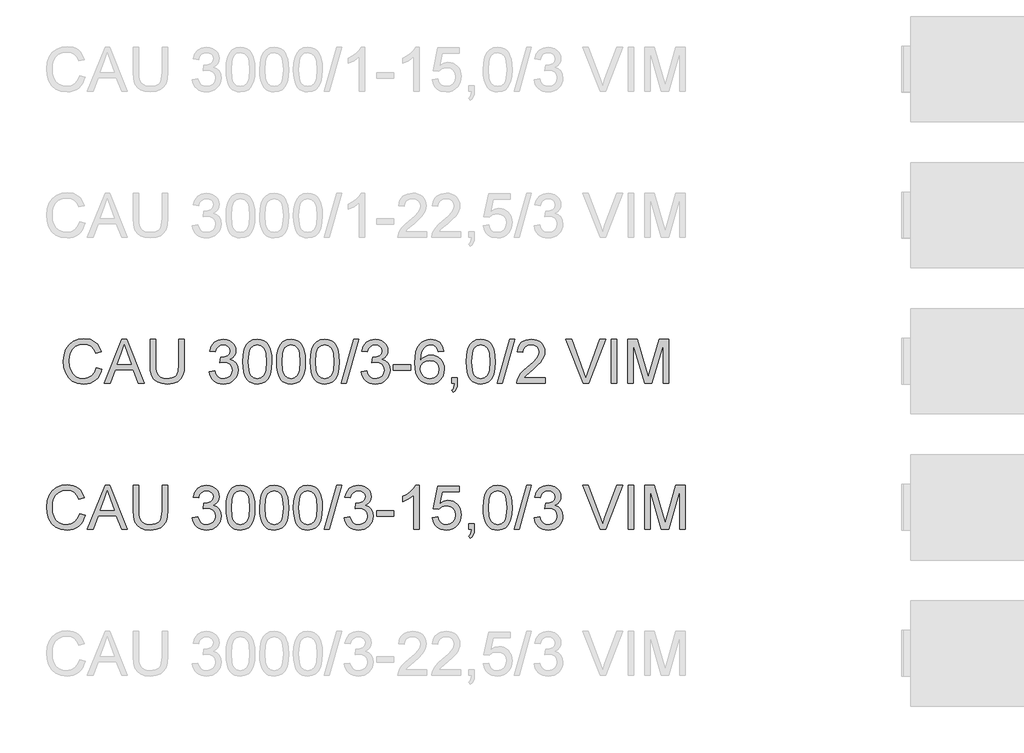
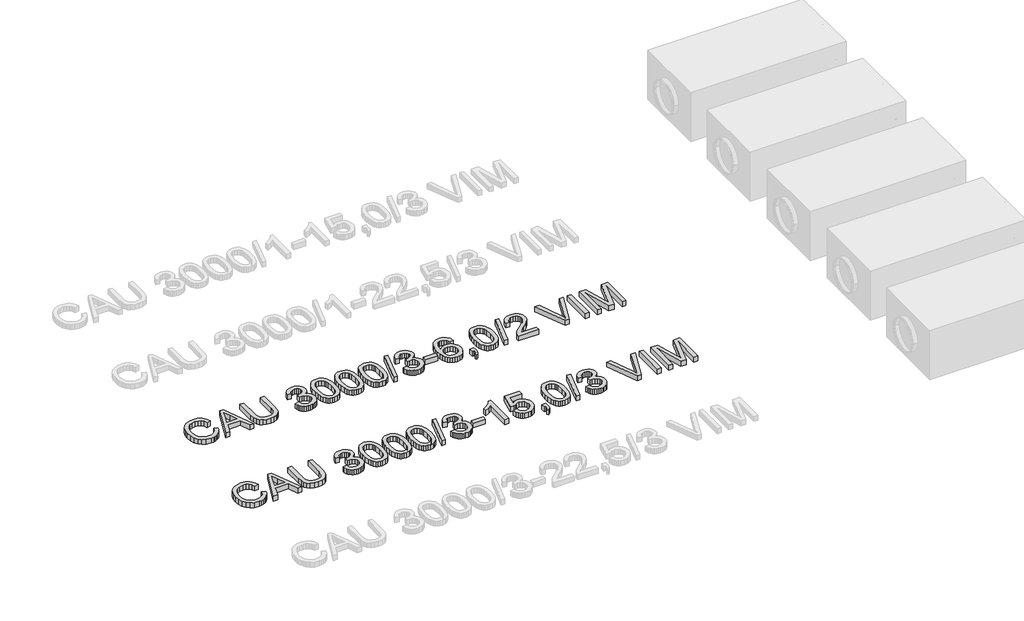
# One storey, part 55 of 74: 2 proxies.
"""IFC4 building model written with IfcOpenShell, lengths in millimetres."""

from ifc_helpers import new_model, si_unit, origin, origin_with_axes, place, context, project, spatial, polyline, outline, extrude, element, save

model = new_model("IFC4")

# Units and contexts
model_context = context("Model", 3, world=origin())
ifc_project = project(units=[si_unit("LENGTHUNIT", "METRE", prefix="MILLI")], contexts=[model_context])

# Site, building, storey
site = spatial("IfcSite", under=ifc_project)
building = spatial("IfcBuilding", under=site)
storey = spatial("IfcBuildingStorey", under=building, Elevation=0.0)

# Proxies
placement = place(None, origin())
element("IfcBuildingElementProxy", 1, Name="Generic Models", at=placement, inside=storey, context=model_context, shape_type="SweptSolid", body=[
    extrude(outline(polyline([(34655.0606318, -14799.1632103), (34692.7317481, -14808.875295), (34685.2775392, -14832.3024803), (34675.3493239, -14852.7728141), (34662.9471021, -14870.2862963), (34648.0708739, -14884.842927), (34631.0563316, -14896.2863563), (34612.2391676, -14904.4602344), (34591.6193818, -14909.3645613), (34569.1969742, -14910.9993369), (34525.5017902, -14906.051324), (34490.801321, -14891.2072855), (34464.2034527, -14866.9822562), (34444.8160716, -14833.8912707), (34432.9794684, -14794.9877497), (34429.033934, -14753.3251137), (34433.4945032, -14709.3816094), (34446.8762108, -14671.4345816), (34468.4800809, -14640.6888439), (34497.6071379, -14618.3492097), (34532.1512572, -14604.7467729), (34570.0063145, -14600.2126274), (34611.3102656, -14606.0803452), (34629.2790018, -14613.4149925), (34645.4589118, -14623.6834986), (34659.5832811, -14636.6145508), (34671.3853954, -14651.9368359), (34688.0228586, -14689.755105), (34650.3517423, -14698.7314257), (34637.2919315, -14671.2598377), (34619.4496547, -14652.4150825), (34596.6041828, -14641.5165784), (34568.5347866, -14637.8837437), (34536.1795651, -14641.9120515), (34509.6000909, -14653.996975), (34489.4309606, -14672.8693214), (34476.3067704, -14697.2598977), (34469.1054803, -14724.8326532), (34466.7050503, -14753.2515373), (34469.5469387, -14788.0531741), (34478.072604, -14818.1459213), (34492.6039428, -14842.3801477), (34513.4628519, -14859.6062222), (34538.4696305, -14869.897721), (34565.4445778, -14873.3282206), (34596.8892913, -14868.6561192), (34623.0916864, -14854.6398152), (34642.8745407, -14831.4264613), (34655.0606318, -14799.1632103)])), origin_with_axes(), (0.0, 0.0, 1.0), 50.0),
    extrude(outline(polyline([(34709.4335907, -14906.2904473), (34829.7310031, -14604.9215169), (34861.8103131, -14604.9215169), (34982.1077255, -14906.2904473), (34942.3028937, -14906.2904473), (34907.7955625, -14812.1126566), (34783.6721773, -14812.1126566), (34749.2384226, -14906.2904473), (34709.4335907, -14906.2904473)]), holes=[polyline([(34797.5045404, -14774.4415403), (34894.0367759, -14774.4415403), (34866.8870847, -14700.3501064), (34845.7706581, -14642.5926332), (34827.0086764, -14693.8753833), (34797.5045404, -14774.4415403)])]), origin_with_axes(), (0.0, 0.0, 1.0), 50.0),
    extrude(outline(polyline([(35220.1273764, -14604.9215169), (35257.7984927, -14604.9215169), (35257.7984927, -14778.7825478), (35255.2417129, -14819.4978876), (35247.5713733, -14850.8506307), (35233.2423696, -14875.0388719), (35210.7095973, -14894.2607061), (35179.9178743, -14906.8146792), (35140.8120183, -14910.9993369), (35102.5614878, -14907.3573051), (35071.981297, -14896.4312099), (35049.0622487, -14878.5981302), (35033.7951459, -14854.235145), (35025.2142983, -14821.5580268), (35022.3540158, -14778.7825478), (35022.3540158, -14604.9215169), (35060.0251321, -14604.9215169), (35060.0251321, -14777.4581726), (35061.8829362, -14811.3125132), (35067.4563484, -14834.8845521), (35077.5547092, -14851.2093156), (35092.9873589, -14863.3218303), (35113.110504, -14870.826623), (35137.2803511, -14873.3282206), (35175.5952609, -14868.3802077), (35189.9380602, -14862.1951917), (35201.0710891, -14853.5361692), (35209.4082148, -14841.3592752), (35215.3633046, -14824.6206444), (35220.1273764, -14777.4581726), (35220.1273764, -14604.9215169)])), origin_with_axes(), (0.0, 0.0, 1.0), 50.0),
    extrude(outline(polyline([(35427.3185161, -14826.2393252), (35464.9896324, -14821.5304357), (35473.4233272, -14845.203642), (35485.7749651, -14861.1881147), (35502.6515517, -14870.2931941), (35524.660092, -14873.3282206), (35550.4854081, -14869.1527599), (35570.4246122, -14856.626378), (35583.1717234, -14837.9379726), (35587.4207604, -14815.2764417), (35583.2085116, -14793.7645421), (35570.571765, -14776.3177384), (35551.4419013, -14764.7570467), (35527.7503008, -14760.9034828), (35501.3363735, -14765.0237612), (35505.5302283, -14727.3526449), (35511.563493, -14727.7941033), (35534.1330534, -14725.0901706), (35554.3113808, -14716.9783726), (35568.5484141, -14703.2563742), (35573.2940918, -14683.7218403), (35569.8543951, -14667.452259), (35559.5353052, -14654.2544924), (35543.7899558, -14645.508098), (35524.0714808, -14642.5926332), (35504.3162177, -14645.5356892), (35488.1661981, -14654.364857), (35476.3755802, -14669.0801369), (35469.6985219, -14689.6815286), (35432.0274056, -14684.972639), (35443.1190478, -14651.1458896), (35462.8559168, -14625.8907906), (35489.8584553, -14610.1638353), (35522.7471057, -14604.9215169), (35546.4295091, -14607.5058879), (35568.1805321, -14615.259001), (35586.5194495, -14627.4910773), (35599.9655364, -14643.5123382), (35608.2152902, -14661.9708173), (35610.9652081, -14681.5145483), (35608.3532459, -14699.724707), (35600.5173594, -14716.2426086), (35587.5679132, -14730.3140949), (35569.6152718, -14741.1850079), (35593.1965077, -14750.7131516), (35610.6709025, -14766.9367476), (35621.4866332, -14788.9728791), (35625.0918767, -14815.9386293), (35623.2892549, -14835.050099), (35617.8813896, -14852.6532524), (35608.8682807, -14868.7480897), (35596.2499283, -14883.3346108), (35580.8770594, -14895.4379285), (35563.6004012, -14904.0831554), (35544.4199537, -14909.2702915), (35523.3357168, -14910.9993369), (35504.2794295, -14909.5232104), (35486.9153993, -14905.0948309), (35471.2436263, -14897.7141983), (35457.2641105, -14887.3813128), (35445.5424704, -14874.7031795), (35436.6443247, -14860.2868038), (35430.5696732, -14844.1321857), (35427.3185161, -14826.2393252)])), origin_with_axes(), (0.0, 0.0, 1.0), 50.0),
    extrude(outline(polyline([(35658.0541035, -14758.0340033), (35660.8224155, -14709.7954767), (35669.1273515, -14671.324217), (35682.8861382, -14642.0316132), (35702.0160019, -14621.3290539), (35726.6548985, -14609.0234011), (35756.9407838, -14604.9215169), (35780.1541377, -14607.3495381), (35800.9394704, -14614.6336016), (35818.3218947, -14626.4885989), (35831.3265232, -14642.6294214), (35841.1489725, -14662.9181134), (35848.984859, -14687.2167192), (35854.1168128, -14718.0728216), (35855.8274641, -14758.0340033), (35853.0867432, -14805.9966184), (35844.8645806, -14844.3759076), (35831.1885675, -14873.6961026), (35812.0862949, -14894.4814353), (35787.3922159, -14906.8698615), (35756.9407838, -14910.9993369), (35736.1922393, -14909.2059122), (35717.7981395, -14903.825638), (35701.7584845, -14894.8585143), (35688.0732743, -14882.3045413), (35674.9398871, -14859.6108207), (35665.5588962, -14831.3344908), (35659.9303017, -14797.4755517), (35658.0541035, -14758.0340033)]), holes=[polyline([(35695.7252198, -14757.9604269), (35700.1398037, -14817.2170193), (35705.6580337, -14837.4850179), (35713.3835556, -14851.5128183), (35733.1020305, -14867.87437), (35756.9407838, -14873.3282206), (35780.7795371, -14867.8559759), (35800.498012, -14851.4392419), (35808.2235339, -14837.3884489), (35813.7417638, -14817.1250488), (35818.1563478, -14757.9604269), (35813.8889166, -14700.0374067), (35808.5546277, -14679.8360867), (35801.0866232, -14665.4748933), (35781.4049365, -14648.3131982), (35756.4993254, -14642.5926332), (35732.9180895, -14647.6326165), (35713.9721667, -14662.7525665), (35705.9891275, -14678.3875513), (35700.2869565, -14699.4671897), (35695.7252198, -14757.9604269)])]), origin_with_axes(), (0.0, 0.0, 1.0), 50.0),
    extrude(outline(polyline([(35888.7896909, -14758.0340033), (35891.5580029, -14709.7954767), (35899.8629389, -14671.324217), (35913.6217255, -14642.0316132), (35932.7515893, -14621.3290539), (35957.3904859, -14609.0234011), (35987.6763712, -14604.9215169), (36010.8897251, -14607.3495381), (36031.6750578, -14614.6336016), (36049.0574821, -14626.4885989), (36062.0621106, -14642.6294214), (36071.8845599, -14662.9181134), (36079.7204464, -14687.2167192), (36084.8524002, -14718.0728216), (36086.5630515, -14758.0340033), (36083.8223306, -14805.9966184), (36075.600168, -14844.3759076), (36061.9241548, -14873.6961026), (36042.8218822, -14894.4814353), (36018.1278033, -14906.8698615), (35987.6763712, -14910.9993369), (35966.9278266, -14909.2059122), (35948.5337269, -14903.825638), (35932.4940719, -14894.8585143), (35918.8088617, -14882.3045413), (35905.6754744, -14859.6108207), (35896.2944836, -14831.3344908), (35890.665889, -14797.4755517), (35888.7896909, -14758.0340033)]), holes=[polyline([(35926.4608072, -14757.9604269), (35930.8753911, -14817.2170193), (35936.393621, -14837.4850179), (35944.1191429, -14851.5128183), (35963.8376179, -14867.87437), (35987.6763712, -14873.3282206), (36011.5151244, -14867.8559759), (36031.2335994, -14851.4392419), (36038.9591213, -14837.3884489), (36044.4773512, -14817.1250488), (36048.8919352, -14757.9604269), (36044.624504, -14700.0374067), (36039.2902151, -14679.8360867), (36031.8222106, -14665.4748933), (36012.1405238, -14648.3131982), (35987.2349128, -14642.5926332), (35963.6536769, -14647.6326165), (35944.7077541, -14662.7525665), (35936.7247148, -14678.3875513), (35931.0225439, -14699.4671897), (35926.4608072, -14757.9604269)])]), origin_with_axes(), (0.0, 0.0, 1.0), 50.0),
    extrude(outline(polyline([(36119.5252782, -14758.0340033), (36122.2935902, -14709.7954767), (36130.5985263, -14671.324217), (36144.3573129, -14642.0316132), (36163.4871767, -14621.3290539), (36188.1260733, -14609.0234011), (36218.4119585, -14604.9215169), (36241.6253124, -14607.3495381), (36262.4106452, -14614.6336016), (36279.7930694, -14626.4885989), (36292.797698, -14642.6294214), (36302.6201472, -14662.9181134), (36310.4560337, -14687.2167192), (36315.5879876, -14718.0728216), (36317.2986388, -14758.0340033), (36314.557918, -14805.9966184), (36306.3357554, -14844.3759076), (36292.6597422, -14873.6961026), (36273.5574696, -14894.4814353), (36248.8633907, -14906.8698615), (36218.4119585, -14910.9993369), (36197.663414, -14909.2059122), (36179.2693142, -14903.825638), (36163.2296593, -14894.8585143), (36149.544449, -14882.3045413), (36136.4110618, -14859.6108207), (36127.0300709, -14831.3344908), (36121.4014764, -14797.4755517), (36119.5252782, -14758.0340033)]), holes=[polyline([(36157.1963945, -14757.9604269), (36161.6109785, -14817.2170193), (36167.1292084, -14837.4850179), (36174.8547303, -14851.5128183), (36194.5732052, -14867.87437), (36218.4119585, -14873.3282206), (36242.2507118, -14867.8559759), (36261.9691868, -14851.4392419), (36269.6947087, -14837.3884489), (36275.2129386, -14817.1250488), (36279.6275225, -14757.9604269), (36275.3600914, -14700.0374067), (36270.0258025, -14679.8360867), (36262.557798, -14665.4748933), (36242.8761112, -14648.3131982), (36217.9705001, -14642.5926332), (36194.3892642, -14647.6326165), (36175.4433415, -14662.7525665), (36167.4603022, -14678.3875513), (36161.7581313, -14699.4671897), (36157.1963945, -14757.9604269)])]), origin_with_axes(), (0.0, 0.0, 1.0), 50.0),
    extrude(outline(polyline([(36331.4253075, -14906.2904473), (36416.1853191, -14604.9215169), (36450.1776155, -14604.9215169), (36365.4176038, -14906.2904473), (36331.4253075, -14906.2904473)])), origin_with_axes(), (0.0, 0.0, 1.0), 50.0),
    extrude(outline(polyline([(36467.9831041, -14826.2393252), (36505.6542204, -14821.5304357), (36514.0879151, -14845.203642), (36526.4395531, -14861.1881147), (36543.3161396, -14870.2931941), (36565.32468, -14873.3282206), (36591.149996, -14869.1527599), (36611.0892002, -14856.626378), (36623.8363113, -14837.9379726), (36628.0853484, -14815.2764417), (36623.8730995, -14793.7645421), (36611.236353, -14776.3177384), (36592.1064892, -14764.7570467), (36568.4148887, -14760.9034828), (36542.0009615, -14765.0237612), (36546.1948162, -14727.3526449), (36552.228081, -14727.7941033), (36574.7976414, -14725.0901706), (36594.9759688, -14716.9783726), (36609.213002, -14703.2563742), (36613.9586797, -14683.7218403), (36610.5189831, -14667.452259), (36600.1998931, -14654.2544924), (36584.4545437, -14645.508098), (36564.7360688, -14642.5926332), (36544.9808057, -14645.5356892), (36528.8307861, -14654.364857), (36517.0401681, -14669.0801369), (36510.3631099, -14689.6815286), (36472.6919936, -14684.972639), (36483.7836358, -14651.1458896), (36503.5205048, -14625.8907906), (36530.5230432, -14610.1638353), (36563.4116936, -14604.9215169), (36587.0940971, -14607.5058879), (36608.84512, -14615.259001), (36627.1840375, -14627.4910773), (36640.6301244, -14643.5123382), (36648.8798781, -14661.9708173), (36651.6297961, -14681.5145483), (36649.0178339, -14699.724707), (36641.1819474, -14716.2426086), (36628.2325012, -14730.3140949), (36610.2798598, -14741.1850079), (36633.8610957, -14750.7131516), (36651.3354905, -14766.9367476), (36662.1512211, -14788.9728791), (36665.7564647, -14815.9386293), (36663.9538429, -14835.050099), (36658.5459776, -14852.6532524), (36649.5328687, -14868.7480897), (36636.9145162, -14883.3346108), (36621.5416474, -14895.4379285), (36604.2649892, -14904.0831554), (36585.0845417, -14909.2702915), (36564.0003048, -14910.9993369), (36544.9440175, -14909.5232104), (36527.5799873, -14905.0948309), (36511.9082143, -14897.7141983), (36497.9286985, -14887.3813128), (36486.2070584, -14874.7031795), (36477.3089126, -14860.2868038), (36471.2342612, -14844.1321857), (36467.9831041, -14826.2393252)])), origin_with_axes(), (0.0, 0.0, 1.0), 50.0),
    extrude(outline(polyline([(36689.3009124, -14816.8215461), (36689.3009124, -14779.1504298), (36807.0231508, -14779.1504298), (36807.0231508, -14816.8215461), (36689.3009124, -14816.8215461)])), origin_with_axes(), (0.0, 0.0, 1.0), 50.0),
    extrude(outline(polyline([(37033.0498487, -14684.972639), (36995.3787323, -14689.6815286), (36989.3086794, -14671.0115173), (36981.1049109, -14658.2644062), (36964.0167923, -14646.5105764), (36943.3602182, -14642.5926332), (36925.8490353, -14644.8735016), (36909.3679219, -14651.7161067), (36895.2136621, -14666.1278838), (36883.6529704, -14685.9659204), (36875.8446751, -14714.0261196), (36872.9476044, -14753.1043845), (36888.0583573, -14735.4736399), (36906.1673485, -14723.0484255), (36926.2629025, -14715.6815886), (36947.3333438, -14713.2259763), (36965.4331379, -14714.9044379), (36982.1349805, -14719.9398227), (36997.4388715, -14728.3321307), (37011.3448109, -14740.0813619), (37022.9009041, -14754.4885406), (37031.1552564, -14770.8546908), (37036.1078677, -14789.1798127), (37037.7587382, -14809.4639062), (37034.6501353, -14836.4388535), (37025.3243268, -14861.4456321), (37010.5538646, -14882.6540292), (36991.1113012, -14898.2338316), (36967.8795532, -14907.8079606), (36941.7415375, -14910.9993369), (36919.2846409, -14908.8840154), (36899.0028467, -14902.538051), (36880.8961547, -14891.9614436), (36864.9645651, -14877.1541933), (36851.9760314, -14857.4909007), (36842.6985073, -14832.3461663), (36837.1319929, -14801.7199902), (36835.276488, -14765.6123724), (36837.3366272, -14725.1315573), (36843.5170447, -14690.5828395), (36853.8177406, -14661.9662188), (36868.2387148, -14639.2816952), (36883.8691011, -14624.2491172), (36901.9918879, -14613.5115615), (36922.6070752, -14607.069028), (36945.714663, -14604.9215169), (36978.7688603, -14610.2374117), (37005.2379698, -14626.1850962), (37023.7792224, -14651.5137716), (37033.0498487, -14684.972639)]), holes=[polyline([(36872.9476044, -14808.875295), (36875.1273052, -14825.5679405), (36881.6664076, -14841.506428), (36891.8199507, -14855.2100323), (36904.8429733, -14865.1980285), (36920.5607316, -14871.2956725), (36938.7984815, -14873.3282206), (36963.6581073, -14869.1159717), (36983.2018383, -14856.4792252), (36995.866176, -14836.6135975), (37000.0876219, -14810.714705), (36995.9213583, -14785.8550792), (36983.4225675, -14766.8999594), (36963.5477427, -14754.8978093), (36937.2533771, -14750.8970926), (36912.4305395, -14754.8978093), (36891.6727979, -14766.8999594), (36877.6289027, -14785.3952267), (36872.9476044, -14808.875295)])]), origin_with_axes(), (0.0, 0.0, 1.0), 50.0),
    extrude(outline(polyline([(37089.5565231, -14906.2904473), (37089.5565231, -14868.619331), (37127.2276394, -14868.619331), (37127.2276394, -14906.2904473), (37125.5353822, -14927.8391352), (37120.4586107, -14944.8076922), (37111.7030192, -14957.8215178), (37098.9743022, -14967.5060113), (37089.5565231, -14953.3793427), (37097.7235034, -14946.5551317), (37103.3888861, -14937.1189585), (37108.3185049, -14906.2904473), (37089.5565231, -14906.2904473)])), origin_with_axes(), (0.0, 0.0, 1.0), 50.0),
    extrude(outline(polyline([(37188.4432034, -14758.0340033), (37191.2115154, -14709.7954767), (37199.5164515, -14671.324217), (37213.2752381, -14642.0316132), (37232.4051018, -14621.3290539), (37257.0439985, -14609.0234011), (37287.3298837, -14604.9215169), (37310.5432376, -14607.3495381), (37331.3285703, -14614.6336016), (37348.7109946, -14626.4885989), (37361.7156231, -14642.6294214), (37371.5380724, -14662.9181134), (37379.3739589, -14687.2167192), (37384.5059127, -14718.0728216), (37386.216564, -14758.0340033), (37383.4758432, -14805.9966184), (37375.2536806, -14844.3759076), (37361.5776674, -14873.6961026), (37342.4753948, -14894.4814353), (37317.7813159, -14906.8698615), (37287.3298837, -14910.9993369), (37266.5813392, -14909.2059122), (37248.1872394, -14903.825638), (37232.1475844, -14894.8585143), (37218.4623742, -14882.3045413), (37205.328987, -14859.6108207), (37195.9479961, -14831.3344908), (37190.3194016, -14797.4755517), (37188.4432034, -14758.0340033)]), holes=[polyline([(37226.1143197, -14757.9604269), (37230.5289037, -14817.2170193), (37236.0471336, -14837.4850179), (37243.7726555, -14851.5128183), (37263.4911304, -14867.87437), (37287.3298837, -14873.3282206), (37311.168637, -14867.8559759), (37330.8871119, -14851.4392419), (37338.6126338, -14837.3884489), (37344.1308638, -14817.1250488), (37348.5454477, -14757.9604269), (37344.2780166, -14700.0374067), (37338.9437276, -14679.8360867), (37331.4757231, -14665.4748933), (37311.7940364, -14648.3131982), (37286.8884253, -14642.5926332), (37263.3071894, -14647.6326165), (37244.3612667, -14662.7525665), (37236.3782274, -14678.3875513), (37230.6760565, -14699.4671897), (37226.1143197, -14757.9604269)])]), origin_with_axes(), (0.0, 0.0, 1.0), 50.0),
    extrude(outline(polyline([(37400.3432326, -14906.2904473), (37485.1032443, -14604.9215169), (37519.0955407, -14604.9215169), (37434.335529, -14906.2904473), (37400.3432326, -14906.2904473)])), origin_with_axes(), (0.0, 0.0, 1.0), 50.0),
    extrude(outline(polyline([(37729.9655003, -14868.619331), (37729.9655003, -14906.2904473), (37532.1921397, -14906.2904473), (37536.2388417, -14880.3179785), (37545.527862, -14860.0200894), (37559.1211018, -14840.3292056), (37578.7843944, -14819.7186168), (37606.2835735, -14796.6616128), (37646.934534, -14760.553995), (37671.3251103, -14733.9009444), (37683.5203984, -14712.2694831), (37687.5854945, -14691.226633), (37683.7503247, -14672.3634837), (37672.2448153, -14656.6825136), (37654.5588884, -14646.1151033), (37632.182466, -14642.5926332), (37608.6840036, -14646.0323299), (37590.4278595, -14656.3514198), (37578.6464387, -14672.7405627), (37574.5721456, -14694.3904181), (37536.9010292, -14689.6815286), (37546.0336998, -14653.242817), (37554.5800584, -14638.7068796), (37565.7797659, -14626.6265546), (37579.3753049, -14617.1306006), (37595.1091579, -14610.3477763), (37632.9918064, -14604.9215169), (37653.1816301, -14606.4298331), (37671.1503663, -14610.9547816), (37686.898015, -14618.4963625), (37700.4245761, -14629.0545758), (37711.2885913, -14641.8476722), (37719.0486021, -14656.0939024), (37723.7046086, -14671.7932666), (37725.2566108, -14688.9457646), (37723.5827477, -14706.9627853), (37718.5611585, -14724.6671063), (37709.6492171, -14742.67493), (37696.3042978, -14761.6024586), (37675.0315214, -14784.1996102), (37642.3360091, -14813.2163026), (37598.99951, -14849.4526791), (37582.0033619, -14868.619331), (37729.9655003, -14868.619331)])), origin_with_axes(), (0.0, 0.0, 1.0), 50.0),
    extrude(outline(polyline([(37988.5129665, -14906.2904473), (37868.5834361, -14604.9215169), (37908.9033028, -14604.9215169), (37989.1751541, -14822.0454704), (38005.4355383, -14870.9737758), (38021.4751933, -14822.0454704), (38101.9677738, -14604.9215169), (38142.2876405, -14604.9215169), (38027.4348816, -14906.2904473), (37988.5129665, -14906.2904473)])), origin_with_axes(), (0.0, 0.0, 1.0), 50.0),
    extrude(outline(polyline([(38182.018896, -14906.2904473), (38182.018896, -14604.9215169), (38219.6900123, -14604.9215169), (38219.6900123, -14906.2904473), (38182.018896, -14906.2904473)])), origin_with_axes(), (0.0, 0.0, 1.0), 50.0),
    extrude(outline(polyline([(38295.0322449, -14906.2904473), (38295.0322449, -14604.9215169), (38359.8530525, -14604.9215169), (38421.5100748, -14817.3365809), (38433.9444863, -14861.7031495), (38447.4089673, -14813.657761), (38508.0359201, -14604.9215169), (38572.8567277, -14604.9215169), (38572.8567277, -14906.2904473), (38535.1856114, -14906.2904473), (38535.1856114, -14642.5926332), (38459.4754968, -14906.2904473), (38408.4134758, -14906.2904473), (38332.7033612, -14642.5926332), (38332.7033612, -14906.2904473), (38295.0322449, -14906.2904473)])), origin_with_axes(), (0.0, 0.0, 1.0), 50.0),
])
element("IfcBuildingElementProxy", 2, Name="Generic Models", at=placement, inside=storey, context=model_context, shape_type="SweptSolid", body=[
    extrude(outline(polyline([(34539.6928381, -15799.1632103), (34577.3639544, -15808.875295), (34569.9097455, -15832.3024803), (34559.9815302, -15852.7728141), (34547.5793084, -15870.2862963), (34532.7030802, -15884.842927), (34515.688538, -15896.2863563), (34496.8713739, -15904.4602344), (34476.2515881, -15909.3645613), (34453.8291805, -15910.9993369), (34410.1339965, -15906.051324), (34375.4335273, -15891.2072855), (34348.835659, -15866.9822562), (34329.4482779, -15833.8912707), (34317.6116747, -15794.9877497), (34313.6661403, -15753.3251137), (34318.1267095, -15709.3816094), (34331.5084171, -15671.4345816), (34353.1122872, -15640.6888439), (34382.2393442, -15618.3492097), (34416.7834636, -15604.7467729), (34454.6385209, -15600.2126274), (34495.9424719, -15606.0803452), (34513.9112081, -15613.4149925), (34530.0911181, -15623.6834986), (34544.2154874, -15636.6145508), (34556.0176017, -15651.9368359), (34572.6550649, -15689.755105), (34534.9839486, -15698.7314257), (34521.9241378, -15671.2598377), (34504.081861, -15652.4150825), (34481.2363891, -15641.5165784), (34453.1669929, -15637.8837437), (34420.8117714, -15641.9120515), (34394.2322973, -15653.996975), (34374.0631669, -15672.8693214), (34360.9389767, -15697.2598977), (34353.7376866, -15724.8326532), (34351.3372566, -15753.2515373), (34354.179145, -15788.0531741), (34362.7048103, -15818.1459213), (34377.2361491, -15842.3801477), (34398.0950582, -15859.6062222), (34423.1018368, -15869.897721), (34450.0767841, -15873.3282206), (34481.5214977, -15868.6561192), (34507.7238928, -15854.6398152), (34527.5067471, -15831.4264613), (34539.6928381, -15799.1632103)])), origin_with_axes(), (0.0, 0.0, 1.0), 50.0),
    extrude(outline(polyline([(34594.065797, -15906.2904473), (34714.3632095, -15604.9215169), (34746.4425194, -15604.9215169), (34866.7399319, -15906.2904473), (34826.9351, -15906.2904473), (34792.4277688, -15812.1126566), (34668.3043837, -15812.1126566), (34633.8706289, -15906.2904473), (34594.065797, -15906.2904473)]), holes=[polyline([(34682.1367467, -15774.4415403), (34778.6689822, -15774.4415403), (34751.519291, -15700.3501064), (34730.4028644, -15642.5926332), (34711.6408827, -15693.8753833), (34682.1367467, -15774.4415403)])]), origin_with_axes(), (0.0, 0.0, 1.0), 50.0),
    extrude(outline(polyline([(35104.7595827, -15604.9215169), (35142.430699, -15604.9215169), (35142.430699, -15778.7825478), (35139.8739192, -15819.4978876), (35132.2035796, -15850.8506307), (35117.8745759, -15875.0388719), (35095.3418037, -15894.2607061), (35064.5500807, -15906.8146792), (35025.4442246, -15910.9993369), (34987.1936941, -15907.3573051), (34956.6135033, -15896.4312099), (34933.694455, -15878.5981302), (34918.4273522, -15854.235145), (34909.8465046, -15821.5580268), (34906.9862221, -15778.7825478), (34906.9862221, -15604.9215169), (34944.6573384, -15604.9215169), (34944.6573384, -15777.4581726), (34946.5151425, -15811.3125132), (34952.0885547, -15834.8845521), (34962.1869155, -15851.2093156), (34977.6195652, -15863.3218303), (34997.7427103, -15870.826623), (35021.9125574, -15873.3282206), (35060.2274672, -15868.3802077), (35074.5702665, -15862.1951917), (35085.7032954, -15853.5361692), (35094.0404211, -15841.3592752), (35099.9955109, -15824.6206444), (35104.7595827, -15777.4581726), (35104.7595827, -15604.9215169)])), origin_with_axes(), (0.0, 0.0, 1.0), 50.0),
    extrude(outline(polyline([(35311.9507224, -15826.2393252), (35349.6218387, -15821.5304357), (35358.0555335, -15845.203642), (35370.4071715, -15861.1881147), (35387.283758, -15870.2931941), (35409.2922983, -15873.3282206), (35435.1176144, -15869.1527599), (35455.0568185, -15856.626378), (35467.8039297, -15837.9379726), (35472.0529667, -15815.2764417), (35467.8407179, -15793.7645421), (35455.2039713, -15776.3177384), (35436.0741076, -15764.7570467), (35412.3825071, -15760.9034828), (35385.9685798, -15765.0237612), (35390.1624346, -15727.3526449), (35396.1956993, -15727.7941033), (35418.7652597, -15725.0901706), (35438.9435872, -15716.9783726), (35453.1806204, -15703.2563742), (35457.9262981, -15683.7218403), (35454.4866014, -15667.452259), (35444.1675115, -15654.2544924), (35428.4221621, -15645.508098), (35408.7036871, -15642.5926332), (35388.948424, -15645.5356892), (35372.7984044, -15654.364857), (35361.0077865, -15669.0801369), (35354.3307283, -15689.6815286), (35316.659612, -15684.972639), (35327.7512541, -15651.1458896), (35347.4881232, -15625.8907906), (35374.4906616, -15610.1638353), (35407.379312, -15604.9215169), (35431.0617154, -15607.5058879), (35452.8127384, -15615.259001), (35471.1516558, -15627.4910773), (35484.5977428, -15643.5123382), (35492.8474965, -15661.9708173), (35495.5974144, -15681.5145483), (35492.9854522, -15699.724707), (35485.1495657, -15716.2426086), (35472.2001195, -15730.3140949), (35454.2474782, -15741.1850079), (35477.828714, -15750.7131516), (35495.3031088, -15766.9367476), (35506.1188395, -15788.9728791), (35509.724083, -15815.9386293), (35507.9214612, -15835.050099), (35502.5135959, -15852.6532524), (35493.500487, -15868.7480897), (35480.8821346, -15883.3346108), (35465.5092657, -15895.4379285), (35448.2326075, -15904.0831554), (35429.05216, -15909.2702915), (35407.9679232, -15910.9993369), (35388.9116358, -15909.5232104), (35371.5476056, -15905.0948309), (35355.8758326, -15897.7141983), (35341.8963168, -15887.3813128), (35330.1746768, -15874.7031795), (35321.276531, -15860.2868038), (35315.2018796, -15844.1321857), (35311.9507224, -15826.2393252)])), origin_with_axes(), (0.0, 0.0, 1.0), 50.0),
    extrude(outline(polyline([(35542.6863098, -15758.0340033), (35545.4546218, -15709.7954767), (35553.7595578, -15671.324217), (35567.5183445, -15642.0316132), (35586.6482082, -15621.3290539), (35611.2871048, -15609.0234011), (35641.5729901, -15604.9215169), (35664.786344, -15607.3495381), (35685.5716767, -15614.6336016), (35702.954101, -15626.4885989), (35715.9587295, -15642.6294214), (35725.7811788, -15662.9181134), (35733.6170653, -15687.2167192), (35738.7490191, -15718.0728216), (35740.4596704, -15758.0340033), (35737.7189495, -15805.9966184), (35729.4967869, -15844.3759076), (35715.8207738, -15873.6961026), (35696.7185012, -15894.4814353), (35672.0244222, -15906.8698615), (35641.5729901, -15910.9993369), (35620.8244456, -15909.2059122), (35602.4303458, -15903.825638), (35586.3906908, -15894.8585143), (35572.7054806, -15882.3045413), (35559.5720934, -15859.6108207), (35550.1911025, -15831.3344908), (35544.562508, -15797.4755517), (35542.6863098, -15758.0340033)]), holes=[polyline([(35580.3574261, -15757.9604269), (35584.77201, -15817.2170193), (35590.29024, -15837.4850179), (35598.0157619, -15851.5128183), (35617.7342368, -15867.87437), (35641.5729901, -15873.3282206), (35665.4117434, -15867.8559759), (35685.1302183, -15851.4392419), (35692.8557402, -15837.3884489), (35698.3739702, -15817.1250488), (35702.7885541, -15757.9604269), (35698.5211229, -15700.0374067), (35693.186834, -15679.8360867), (35685.7188295, -15665.4748933), (35666.0371428, -15648.3131982), (35641.1315317, -15642.5926332), (35617.5502958, -15647.6326165), (35598.6043731, -15662.7525665), (35590.6213338, -15678.3875513), (35584.9191628, -15699.4671897), (35580.3574261, -15757.9604269)])]), origin_with_axes(), (0.0, 0.0, 1.0), 50.0),
    extrude(outline(polyline([(35773.4218972, -15758.0340033), (35776.1902092, -15709.7954767), (35784.4951452, -15671.324217), (35798.2539318, -15642.0316132), (35817.3837956, -15621.3290539), (35842.0226922, -15609.0234011), (35872.3085775, -15604.9215169), (35895.5219314, -15607.3495381), (35916.3072641, -15614.6336016), (35933.6896884, -15626.4885989), (35946.6943169, -15642.6294214), (35956.5167662, -15662.9181134), (35964.3526527, -15687.2167192), (35969.4846065, -15718.0728216), (35971.1952578, -15758.0340033), (35968.4545369, -15805.9966184), (35960.2323743, -15844.3759076), (35946.5563611, -15873.6961026), (35927.4540885, -15894.4814353), (35902.7600096, -15906.8698615), (35872.3085775, -15910.9993369), (35851.5600329, -15909.2059122), (35833.1659332, -15903.825638), (35817.1262782, -15894.8585143), (35803.441068, -15882.3045413), (35790.3076807, -15859.6108207), (35780.9266899, -15831.3344908), (35775.2980953, -15797.4755517), (35773.4218972, -15758.0340033)]), holes=[polyline([(35811.0930135, -15757.9604269), (35815.5075974, -15817.2170193), (35821.0258273, -15837.4850179), (35828.7513492, -15851.5128183), (35848.4698242, -15867.87437), (35872.3085775, -15873.3282206), (35896.1473308, -15867.8559759), (35915.8658057, -15851.4392419), (35923.5913276, -15837.3884489), (35929.1095575, -15817.1250488), (35933.5241415, -15757.9604269), (35929.2567103, -15700.0374067), (35923.9224214, -15679.8360867), (35916.4544169, -15665.4748933), (35896.7727302, -15648.3131982), (35871.8671191, -15642.5926332), (35848.2858832, -15647.6326165), (35829.3399604, -15662.7525665), (35821.3569211, -15678.3875513), (35815.6547502, -15699.4671897), (35811.0930135, -15757.9604269)])]), origin_with_axes(), (0.0, 0.0, 1.0), 50.0),
    extrude(outline(polyline([(36004.1574845, -15758.0340033), (36006.9257966, -15709.7954767), (36015.2307326, -15671.324217), (36028.9895192, -15642.0316132), (36048.119383, -15621.3290539), (36072.7582796, -15609.0234011), (36103.0441648, -15604.9215169), (36126.2575187, -15607.3495381), (36147.0428515, -15614.6336016), (36164.4252757, -15626.4885989), (36177.4299043, -15642.6294214), (36187.2523535, -15662.9181134), (36195.08824, -15687.2167192), (36200.2201939, -15718.0728216), (36201.9308451, -15758.0340033), (36199.1901243, -15805.9966184), (36190.9679617, -15844.3759076), (36177.2919485, -15873.6961026), (36158.1896759, -15894.4814353), (36133.495597, -15906.8698615), (36103.0441648, -15910.9993369), (36082.2956203, -15909.2059122), (36063.9015206, -15903.825638), (36047.8618656, -15894.8585143), (36034.1766553, -15882.3045413), (36021.0432681, -15859.6108207), (36011.6622772, -15831.3344908), (36006.0336827, -15797.4755517), (36004.1574845, -15758.0340033)]), holes=[polyline([(36041.8286008, -15757.9604269), (36046.2431848, -15817.2170193), (36051.7614147, -15837.4850179), (36059.4869366, -15851.5128183), (36079.2054116, -15867.87437), (36103.0441648, -15873.3282206), (36126.8829181, -15867.8559759), (36146.6013931, -15851.4392419), (36154.326915, -15837.3884489), (36159.8451449, -15817.1250488), (36164.2597288, -15757.9604269), (36159.9922977, -15700.0374067), (36154.6580088, -15679.8360867), (36147.1900043, -15665.4748933), (36127.5083175, -15648.3131982), (36102.6027065, -15642.5926332), (36079.0214706, -15647.6326165), (36060.0755478, -15662.7525665), (36052.0925085, -15678.3875513), (36046.3903376, -15699.4671897), (36041.8286008, -15757.9604269)])]), origin_with_axes(), (0.0, 0.0, 1.0), 50.0),
    extrude(outline(polyline([(36216.0575138, -15906.2904473), (36300.8175255, -15604.9215169), (36334.8098218, -15604.9215169), (36250.0498101, -15906.2904473), (36216.0575138, -15906.2904473)])), origin_with_axes(), (0.0, 0.0, 1.0), 50.0),
    extrude(outline(polyline([(36352.6153104, -15826.2393252), (36390.2864267, -15821.5304357), (36398.7201214, -15845.203642), (36411.0717594, -15861.1881147), (36427.9483459, -15870.2931941), (36449.9568863, -15873.3282206), (36475.7822024, -15869.1527599), (36495.7214065, -15856.626378), (36508.4685176, -15837.9379726), (36512.7175547, -15815.2764417), (36508.5053058, -15793.7645421), (36495.8685593, -15776.3177384), (36476.7386955, -15764.7570467), (36453.0470951, -15760.9034828), (36426.6331678, -15765.0237612), (36430.8270225, -15727.3526449), (36436.8602873, -15727.7941033), (36459.4298477, -15725.0901706), (36479.6081751, -15716.9783726), (36493.8452083, -15703.2563742), (36498.5908861, -15683.7218403), (36495.1511894, -15667.452259), (36484.8320994, -15654.2544924), (36469.08675, -15645.508098), (36449.3682751, -15642.5926332), (36429.613012, -15645.5356892), (36413.4629924, -15654.364857), (36401.6723744, -15669.0801369), (36394.9953162, -15689.6815286), (36357.3241999, -15684.972639), (36368.4158421, -15651.1458896), (36388.1527111, -15625.8907906), (36415.1552496, -15610.1638353), (36448.0438999, -15604.9215169), (36471.7263034, -15607.5058879), (36493.4773263, -15615.259001), (36511.8162438, -15627.4910773), (36525.2623307, -15643.5123382), (36533.5120845, -15661.9708173), (36536.2620024, -15681.5145483), (36533.6500402, -15699.724707), (36525.8141537, -15716.2426086), (36512.8647075, -15730.3140949), (36494.9120661, -15741.1850079), (36518.493302, -15750.7131516), (36535.9676968, -15766.9367476), (36546.7834274, -15788.9728791), (36550.388671, -15815.9386293), (36548.5860492, -15835.050099), (36543.1781839, -15852.6532524), (36534.165075, -15868.7480897), (36521.5467226, -15883.3346108), (36506.1738537, -15895.4379285), (36488.8971955, -15904.0831554), (36469.716748, -15909.2702915), (36448.6325111, -15910.9993369), (36429.5762238, -15909.5232104), (36412.2121936, -15905.0948309), (36396.5404206, -15897.7141983), (36382.5609048, -15887.3813128), (36370.8392647, -15874.7031795), (36361.941119, -15860.2868038), (36355.8664675, -15844.1321857), (36352.6153104, -15826.2393252)])), origin_with_axes(), (0.0, 0.0, 1.0), 50.0),
    extrude(outline(polyline([(36573.9331187, -15816.8215461), (36573.9331187, -15779.1504298), (36691.6553571, -15779.1504298), (36691.6553571, -15816.8215461), (36573.9331187, -15816.8215461)])), origin_with_axes(), (0.0, 0.0, 1.0), 50.0),
    extrude(outline(polyline([(36865.88427, -15906.2904473), (36828.2131537, -15906.2904473), (36828.2131537, -15671.4345816), (36792.5286002, -15696.8552275), (36752.8709211, -15715.8747266), (36752.8709211, -15680.2637495), (36782.4578306, -15664.1689122), (36808.0900086, -15645.0206544), (36828.2959272, -15624.6583859), (36841.6040584, -15604.9215169), (36865.88427, -15604.9215169), (36865.88427, -15906.2904473)])), origin_with_axes(), (0.0, 0.0, 1.0), 50.0),
    extrude(outline(polyline([(36955.3531713, -15826.2393252), (36993.0242876, -15821.5304357), (36999.9404691, -15844.1459813), (37012.0069985, -15860.3419861), (37029.1686936, -15870.081662), (37051.370372, -15873.3282206), (37078.3729105, -15868.8124691), (37098.6064202, -15855.2652146), (37111.2431667, -15834.2499556), (37115.4554156, -15807.3301906), (37111.5098812, -15781.9831212), (37099.673278, -15762.59574), (37079.8536355, -15750.2900873), (37051.9589832, -15746.188203), (37033.6844451, -15747.8252779), (37018.8863918, -15752.7365026), (36997.7331771, -15769.7326507), (36960.0620608, -15765.0237612), (36993.0242876, -15609.6304064), (37138.9998633, -15609.6304064), (37138.9998633, -15647.3015227), (37023.4849168, -15647.3015227), (37007.3716854, -15730.2957008), (37034.2822533, -15713.9617403), (37062.4804083, -15708.5170867), (37080.8262235, -15710.2047454), (37097.6775182, -15715.2677213), (37113.0342922, -15723.7060146), (37126.8965456, -15735.5196252), (37138.3721646, -15749.9865846), (37146.5690353, -15766.3849246), (37151.4871577, -15784.714645), (37153.1265319, -15804.9757459), (37147.2220259, -15842.6468622), (37139.8413933, -15859.4406753), (37129.5085078, -15874.873325), (37113.8551289, -15890.6784552), (37095.5897878, -15901.9678339), (37074.7124846, -15908.7414611), (37051.2232192, -15910.9993369), (37014.2234876, -15905.1959984), (36998.5448168, -15897.9418253), (36984.7469427, -15887.785983), (36973.2667252, -15875.2343092), (36964.5410241, -15860.7926416), (36955.3531713, -15826.2393252)])), origin_with_axes(), (0.0, 0.0, 1.0), 50.0),
    extrude(outline(polyline([(37204.9243168, -15906.2904473), (37204.9243168, -15868.619331), (37242.5954331, -15868.619331), (37242.5954331, -15906.2904473), (37240.9031759, -15927.8391352), (37235.8264044, -15944.8076922), (37227.0708129, -15957.8215178), (37214.3420959, -15967.5060113), (37204.9243168, -15953.3793427), (37213.0912971, -15946.5551317), (37218.7566798, -15937.1189585), (37223.6862986, -15906.2904473), (37204.9243168, -15906.2904473)])), origin_with_axes(), (0.0, 0.0, 1.0), 50.0),
    extrude(outline(polyline([(37303.8109971, -15758.0340033), (37306.5793091, -15709.7954767), (37314.8842452, -15671.324217), (37328.6430318, -15642.0316132), (37347.7728955, -15621.3290539), (37372.4117922, -15609.0234011), (37402.6976774, -15604.9215169), (37425.9110313, -15607.3495381), (37446.696364, -15614.6336016), (37464.0787883, -15626.4885989), (37477.0834168, -15642.6294214), (37486.9058661, -15662.9181134), (37494.7417526, -15687.2167192), (37499.8737064, -15718.0728216), (37501.5843577, -15758.0340033), (37498.8436368, -15805.9966184), (37490.6214743, -15844.3759076), (37476.9454611, -15873.6961026), (37457.8431885, -15894.4814353), (37433.1491096, -15906.8698615), (37402.6976774, -15910.9993369), (37381.9491329, -15909.2059122), (37363.5550331, -15903.825638), (37347.5153781, -15894.8585143), (37333.8301679, -15882.3045413), (37320.6967807, -15859.6108207), (37311.3157898, -15831.3344908), (37305.6871953, -15797.4755517), (37303.8109971, -15758.0340033)]), holes=[polyline([(37341.4821134, -15757.9604269), (37345.8966974, -15817.2170193), (37351.4149273, -15837.4850179), (37359.1404492, -15851.5128183), (37378.8589241, -15867.87437), (37402.6976774, -15873.3282206), (37426.5364307, -15867.8559759), (37446.2549056, -15851.4392419), (37453.9804275, -15837.3884489), (37459.4986575, -15817.1250488), (37463.9132414, -15757.9604269), (37459.6458103, -15700.0374067), (37454.3115213, -15679.8360867), (37446.8435168, -15665.4748933), (37427.1618301, -15648.3131982), (37402.256219, -15642.5926332), (37378.6749831, -15647.6326165), (37359.7290604, -15662.7525665), (37351.7460211, -15678.3875513), (37346.0438501, -15699.4671897), (37341.4821134, -15757.9604269)])]), origin_with_axes(), (0.0, 0.0, 1.0), 50.0),
    extrude(outline(polyline([(37515.7110263, -15906.2904473), (37600.471038, -15604.9215169), (37634.4633344, -15604.9215169), (37549.7033227, -15906.2904473), (37515.7110263, -15906.2904473)])), origin_with_axes(), (0.0, 0.0, 1.0), 50.0),
    extrude(outline(polyline([(37652.2688229, -15826.2393252), (37689.9399392, -15821.5304357), (37698.373634, -15845.203642), (37710.725272, -15861.1881147), (37727.6018585, -15870.2931941), (37749.6103989, -15873.3282206), (37775.4357149, -15869.1527599), (37795.3749191, -15856.626378), (37808.1220302, -15837.9379726), (37812.3710672, -15815.2764417), (37808.1588184, -15793.7645421), (37795.5220719, -15776.3177384), (37776.3922081, -15764.7570467), (37752.7006076, -15760.9034828), (37726.2866804, -15765.0237612), (37730.4805351, -15727.3526449), (37736.5137998, -15727.7941033), (37759.0833602, -15725.0901706), (37779.2616877, -15716.9783726), (37793.4987209, -15703.2563742), (37798.2443986, -15683.7218403), (37794.804702, -15667.452259), (37784.485612, -15654.2544924), (37768.7402626, -15645.508098), (37749.0217877, -15642.5926332), (37729.2665245, -15645.5356892), (37713.1165049, -15654.364857), (37701.325887, -15669.0801369), (37694.6488288, -15689.6815286), (37656.9777125, -15684.972639), (37668.0693546, -15651.1458896), (37687.8062237, -15625.8907906), (37714.8087621, -15610.1638353), (37747.6974125, -15604.9215169), (37771.3798159, -15607.5058879), (37793.1308389, -15615.259001), (37811.4697563, -15627.4910773), (37824.9158433, -15643.5123382), (37833.165597, -15661.9708173), (37835.9155149, -15681.5145483), (37833.3035528, -15699.724707), (37825.4676663, -15716.2426086), (37812.51822, -15730.3140949), (37794.5655787, -15741.1850079), (37818.1468146, -15750.7131516), (37835.6212093, -15766.9367476), (37846.43694, -15788.9728791), (37850.0421835, -15815.9386293), (37848.2395618, -15835.050099), (37842.8316964, -15852.6532524), (37833.8185876, -15868.7480897), (37821.2002351, -15883.3346108), (37805.8273662, -15895.4379285), (37788.550708, -15904.0831554), (37769.3702605, -15909.2702915), (37748.2860237, -15910.9993369), (37729.2297363, -15909.5232104), (37711.8657062, -15905.0948309), (37696.1939332, -15897.7141983), (37682.2144173, -15887.3813128), (37670.4927773, -15874.7031795), (37661.5946315, -15860.2868038), (37655.5199801, -15844.1321857), (37652.2688229, -15826.2393252)])), origin_with_axes(), (0.0, 0.0, 1.0), 50.0),
    extrude(outline(polyline([(38103.8807602, -15906.2904473), (37983.9512298, -15604.9215169), (38024.2710965, -15604.9215169), (38104.5429478, -15822.0454704), (38120.803332, -15870.9737758), (38136.842987, -15822.0454704), (38217.3355675, -15604.9215169), (38257.6554342, -15604.9215169), (38142.8026753, -15906.2904473), (38103.8807602, -15906.2904473)])), origin_with_axes(), (0.0, 0.0, 1.0), 50.0),
    extrude(outline(polyline([(38297.3866897, -15906.2904473), (38297.3866897, -15604.9215169), (38335.057806, -15604.9215169), (38335.057806, -15906.2904473), (38297.3866897, -15906.2904473)])), origin_with_axes(), (0.0, 0.0, 1.0), 50.0),
    extrude(outline(polyline([(38410.4000386, -15906.2904473), (38410.4000386, -15604.9215169), (38475.2208461, -15604.9215169), (38536.8778685, -15817.3365809), (38549.31228, -15861.7031495), (38562.776761, -15813.657761), (38623.4037138, -15604.9215169), (38688.2245214, -15604.9215169), (38688.2245214, -15906.2904473), (38650.553405, -15906.2904473), (38650.553405, -15642.5926332), (38574.8432904, -15906.2904473), (38523.7812695, -15906.2904473), (38448.0711549, -15642.5926332), (38448.0711549, -15906.2904473), (38410.4000386, -15906.2904473)])), origin_with_axes(), (0.0, 0.0, 1.0), 50.0),
])

save(model, "model.ifc")
